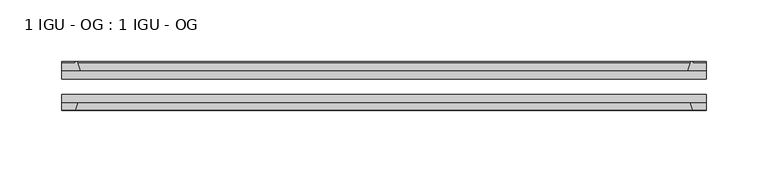
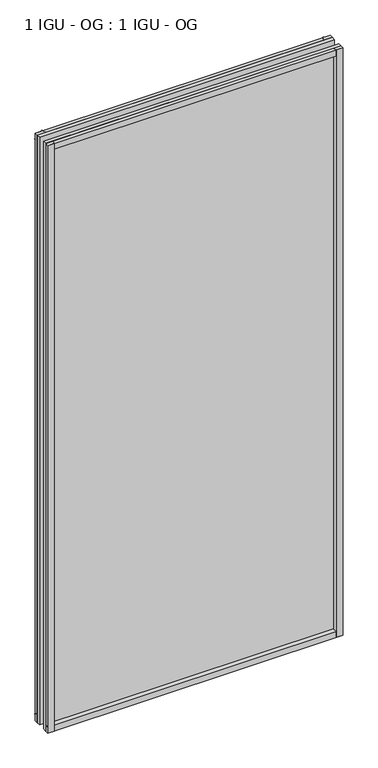
"""IFC4 building model written with IfcOpenShell, lengths in millimetres: plate geometry, 1 IGU - OG : 1 IGU - OG."""

from ifc_helpers import new_model, si_unit, point, frame, frame_2d, origin, place, context, project, spatial, polyline, circle_curve, trimmed, segment, composite_curve, outline, extrude, source, transform, mapped, element, save


def plate_1_igu_og_1_igu_og_15ab9b73(model_context):
    return source(origin(), model_context, "Body", "SweptSolid", [
        extrude(outline(polyline([(261.9375, -31.75), (261.9375, -38.1), (-261.9375, -38.1), (-261.9375, -31.75), (261.9375, -31.75)])), frame((0.0, 0.0, -11.1125), z_axis=(0.0, 0.0, 1.0), x_axis=(1.0, 0.0, 0.0)), (0.0, 0.0, 1.0), 1101.725),
        extrude(outline(polyline([(-261.9375, -12.7), (261.9375, -12.7), (261.9375, -19.05), (-261.9375, -19.05), (-261.9375, -12.7)])), frame((0.0, 0.0, -11.1125), z_axis=(0.0, 0.0, 1.0), x_axis=(1.0, 0.0, 0.0)), (0.0, 0.0, 1.0), 1101.725),
        extrude(outline(composite_curve([segment(polyline([(-246.6017091, -12.7), (-261.9375, -12.7), (-261.9375, -6.35), (-250.825, -6.35), (-250.825, -4.7751661), (-249.895586, -4.7751661)]), True, "CONTINUOUS"), segment(trimmed(circle_curve(frame_2d((-249.895586, -5.5371661)), 0.762), [point((-249.895586, -4.7751661))], [point((-249.1533761, -5.364631))], False, "CARTESIAN"), True, "CONTINUOUS"), segment(trimmed(circle_curve(frame_2d((-213.5241579, 2.9177851)), 36.5792237), [point((-249.1533761, -5.364631))], [point((-246.6017091, -12.7))], True, "CARTESIAN"), True, "CONTINUOUS")], self_intersect=False)), frame((0.0, 0.0, -11.1125), z_axis=(0.0, 0.0, 1.0), x_axis=(1.0, 0.0, 0.0)), (0.0, 0.0, 1.0), 1101.725),
        extrude(outline(polyline([(-261.9375, -38.1), (-248.7197229, -38.1), (-250.825, -44.45), (-261.9375, -44.45), (-261.9375, -38.1)])), frame((0.0, 0.0, -11.1125), z_axis=(0.0, 0.0, 1.0), x_axis=(1.0, 0.0, 0.0)), (0.0, 0.0, 1.0), 1101.725),
        extrude(outline(composite_curve([segment(trimmed(circle_curve(frame_2d((249.895586, -5.5371661)), 0.762), [point((249.1533761, -5.364631))], [point((249.895586, -4.7751661))], False, "CARTESIAN"), True, "CONTINUOUS"), segment(polyline([(249.895586, -4.7751661), (250.825, -4.7751661), (250.825, -6.35), (261.9375, -6.35), (261.9375, -12.7), (246.6017091, -12.7)]), True, "CONTINUOUS"), segment(trimmed(circle_curve(frame_2d((213.5241579, 2.9177851)), 36.5792237), [point((246.6017091, -12.7))], [point((249.1533761, -5.364631))], True, "CARTESIAN"), True, "CONTINUOUS")], self_intersect=False)), frame((0.0, 0.0, -11.1125), z_axis=(0.0, 0.0, 1.0), x_axis=(1.0, 0.0, 0.0)), (0.0, 0.0, 1.0), 1101.725),
        extrude(outline(polyline([(248.7197229, -38.1), (261.9375, -38.1), (261.9375, -44.45), (250.825, -44.45), (248.7197229, -38.1)])), frame((0.0, 0.0, -11.1125), z_axis=(0.0, 0.0, 1.0), x_axis=(1.0, 0.0, 0.0)), (0.0, 0.0, 1.0), 1101.725),
        extrude(outline(composite_curve([segment(polyline([(-12.7, -11.1125), (-12.7, 4.2232909)]), True, "CONTINUOUS"), segment(trimmed(circle_curve(frame_2d((2.9177851, 37.3008421)), 36.5792237), [point((-12.7, 4.2232909))], [point((-5.364631, 1.6716239))], True, "CARTESIAN"), True, "CONTINUOUS"), segment(trimmed(circle_curve(frame_2d((-5.5371661, 0.929414)), 0.762), [point((-5.364631, 1.6716239))], [point((-4.7751661, 0.929414))], False, "CARTESIAN"), True, "CONTINUOUS"), segment(polyline([(-4.7751661, 0.929414), (-4.7751661, 0.0), (-6.35, 0.0), (-6.35, -11.1125), (-12.7, -11.1125)]), True, "CONTINUOUS")], self_intersect=False)), frame((-261.9375, 0.0, 0.0), z_axis=(1.0, 0.0, 0.0), x_axis=(0.0, 1.0, 0.0)), (0.0, 0.0, 1.0), 523.875),
        extrude(outline(polyline([(-38.1, 2.1052771), (-38.1, -11.1125), (-44.45, -11.1125), (-44.45, 0.0), (-38.1, 2.1052771)])), frame((-261.9375, 0.0, 0.0), z_axis=(1.0, 0.0, 0.0), x_axis=(0.0, 1.0, 0.0)), (0.0, 0.0, 1.0), 523.875),
        extrude(outline(composite_curve([segment(trimmed(circle_curve(frame_2d((2.9177851, 1042.1991578)), 36.5792237), [point((-5.364631, 1077.8283761))], [point((-12.7, 1075.2767091))], True, "CARTESIAN"), True, "CONTINUOUS"), segment(polyline([(-12.7, 1075.2767091), (-12.7, 1090.6125), (-6.35, 1090.6125), (-6.35, 1079.5), (-4.7751661, 1079.5), (-4.7751661, 1078.570586)]), True, "CONTINUOUS"), segment(trimmed(circle_curve(frame_2d((-5.5371661, 1078.570586)), 0.762), [point((-4.7751661, 1078.570586))], [point((-5.364631, 1077.8283761))], False, "CARTESIAN"), True, "CONTINUOUS")], self_intersect=False)), frame((-261.9375, 0.0, 0.0), z_axis=(1.0, 0.0, 0.0), x_axis=(0.0, 1.0, 0.0)), (0.0, 0.0, 1.0), 523.875),
        extrude(outline(polyline([(-38.1, 1090.6125), (-38.1, 1077.3947229), (-44.45, 1079.5), (-44.45, 1090.6125), (-38.1, 1090.6125)])), frame((-261.9375, 0.0, 0.0), z_axis=(1.0, 0.0, 0.0), x_axis=(0.0, 1.0, 0.0)), (0.0, 0.0, 1.0), 523.875),
    ])


if __name__ == "__main__":
    model = new_model("IFC4")
    model_context = context("Model", 3, world=origin())
    ifc_project = project(units=[si_unit("LENGTHUNIT", "METRE", prefix="MILLI")], contexts=[model_context])
    site = spatial("IfcSite", under=ifc_project)
    building = spatial("IfcBuilding", under=site)
    placement = place(None, origin())
    plate_1_igu_og_1_igu_og_shape = plate_1_igu_og_1_igu_og_15ab9b73(model_context)
    element("IfcPlate", 1, ObjectType="1 IGU - OG : 1 IGU - OG", at=placement, inside=building, context=model_context, shape_type="MappedRepresentation", body=[
        mapped(plate_1_igu_og_1_igu_og_shape, transform((0.0, 0.0, 0.0), x_axis=(1.0, 0.0, 0.0), y_axis=(0.0, 1.0, 0.0), z_axis=(0.0, 0.0, 1.0))),
    ])
    save(model, "model.ifc")
